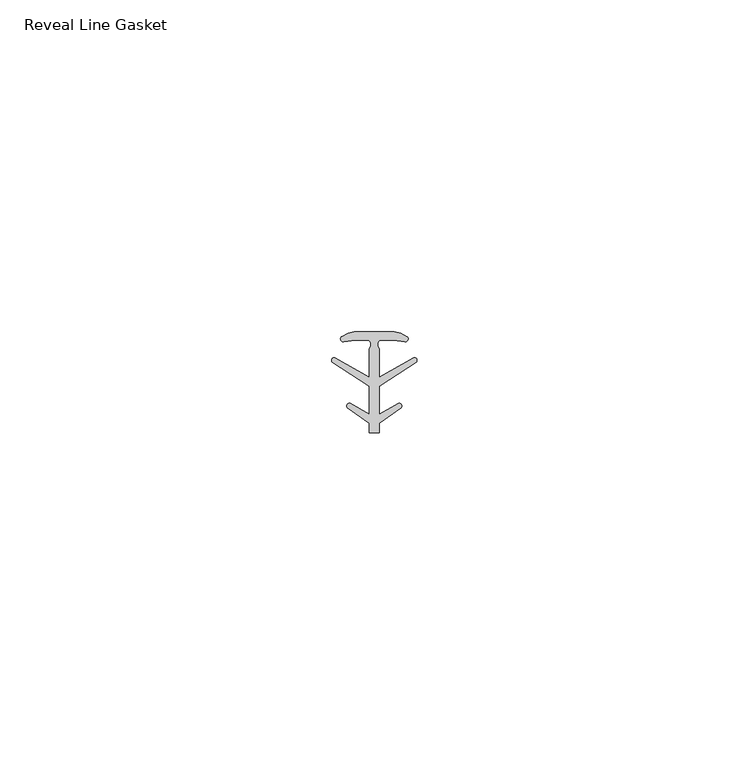
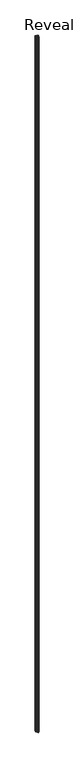
"""IFC4 building model written with IfcOpenShell, lengths in millimetres: proxy geometry, Reveal Line Gasket."""

from ifc_helpers import new_model, si_unit, point, frame, frame_2d, origin, place, context, project, spatial, polyline, circle_curve, trimmed, segment, composite_curve, outline, extrude, source, transform, mapped, element, save


def reveal_line_gasket_4fdcf7a1(model_context):
    return source(origin(), model_context, "Body", "SweptSolid", [
        extrude(outline(composite_curve([segment(polyline([(2.999107, 7.6326998), (3.9545998, 7.4091917), (4.8875754, 6.8813059)]), True, "CONTINUOUS"), segment(trimmed(circle_curve(frame_2d((4.6855864, 6.5243141)), 0.4101739), [point((4.8875754, 6.8813059))], [point((4.5932418, 6.1246704))], False, "CARTESIAN"), True, "CONTINUOUS"), segment(polyline([(4.5932418, 6.1246704), (2.8970156, 6.3626997), (0.8645598, 6.3626997)]), True, "CONTINUOUS"), segment(trimmed(circle_curve(frame_2d((1.2810328, 5.6959605)), 0.786124), [point((0.8645598, 6.3626997))], [point((0.7769821, 5.0926996))], True, "CARTESIAN"), True, "CONTINUOUS"), segment(polyline([(0.7769821, 5.0926996), (0.7769821, 0.7492996), (5.9386365, 3.7293824)]), True, "CONTINUOUS"), segment(trimmed(circle_curve(frame_2d((6.0040832, 3.3132479)), 0.4212495), [point((5.9386365, 3.7293824))], [point((6.3317429, 3.0485022))], False, "CARTESIAN"), True, "CONTINUOUS"), segment(polyline([(6.3317429, 3.0485022), (0.7769821, -0.5742594), (0.7769821, -4.8262978), (3.6526367, -3.1660374)]), True, "CONTINUOUS"), segment(trimmed(circle_curve(frame_2d((3.7109925, -3.5978728)), 0.4357605), [point((3.6526367, -3.1660374))], [point((4.0557951, -3.864328))], False, "CARTESIAN"), True, "CONTINUOUS"), segment(polyline([(4.0557951, -3.864328), (0.7769821, -6.1944059), (0.7769821, -7.6326998), (-0.778768, -7.6326998), (-0.778768, -6.1944059), (-4.0575811, -3.864328)]), True, "CONTINUOUS"), segment(trimmed(circle_curve(frame_2d((-3.7127785, -3.5978728)), 0.4357605), [point((-4.0575811, -3.864328))], [point((-3.6544226, -3.1660374))], False, "CARTESIAN"), True, "CONTINUOUS"), segment(polyline([(-3.6544226, -3.1660374), (-0.778768, -4.8262978), (-0.778768, -0.5742594), (-6.3335288, 3.0485022)]), True, "CONTINUOUS"), segment(trimmed(circle_curve(frame_2d((-6.0058691, 3.3132479)), 0.4212495), [point((-6.3335288, 3.0485022))], [point((-5.9404224, 3.7293824))], False, "CARTESIAN"), True, "CONTINUOUS"), segment(polyline([(-5.9404224, 3.7293824), (-0.778768, 0.7492996), (-0.778768, 5.0926996)]), True, "CONTINUOUS"), segment(trimmed(circle_curve(frame_2d((-1.2828188, 5.6959605)), 0.786124), [point((-0.778768, 5.0926996))], [point((-0.8663457, 6.3626997))], True, "CARTESIAN"), True, "CONTINUOUS"), segment(polyline([(-0.8663457, 6.3626997), (-2.8988015, 6.3626997), (-4.5950277, 6.1246704)]), True, "CONTINUOUS"), segment(trimmed(circle_curve(frame_2d((-4.6873723, 6.5243141)), 0.4101739), [point((-4.5950277, 6.1246704))], [point((-4.8893614, 6.8813059))], False, "CARTESIAN"), True, "CONTINUOUS"), segment(polyline([(-4.8893614, 6.8813059), (-3.9563857, 7.4091917), (-3.000893, 7.6326998), (2.999107, 7.6326998)]), True, "CONTINUOUS")], self_intersect=False)), frame((0.0, 0.0, 84.836), z_axis=(0.0, 0.0, 1.0), x_axis=(1.0, 0.0, 0.0)), (0.0, 0.0, 1.0), 2953.6564946),
    ])


if __name__ == "__main__":
    model = new_model("IFC4")
    model_context = context("Model", 3, world=origin())
    ifc_project = project(units=[si_unit("LENGTHUNIT", "METRE", prefix="MILLI")], contexts=[model_context])
    site = spatial("IfcSite", under=ifc_project)
    building = spatial("IfcBuilding", under=site)
    placement = place(None, origin())
    reveal_line_gasket_shape = reveal_line_gasket_4fdcf7a1(model_context)
    element("IfcBuildingElementProxy", 1, Name="Reveal Line Gasket", ObjectType="Reveal Line Gasket", at=placement, inside=building, context=model_context, shape_type="MappedRepresentation", body=[
        mapped(reveal_line_gasket_shape, transform((0.0, 0.0, 0.0), x_axis=(1.0, 0.0, 0.0), y_axis=(0.0, 1.0, 0.0), z_axis=(0.0, 0.0, 1.0))),
    ])
    save(model, "model.ifc")
